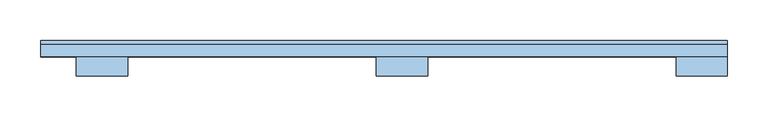
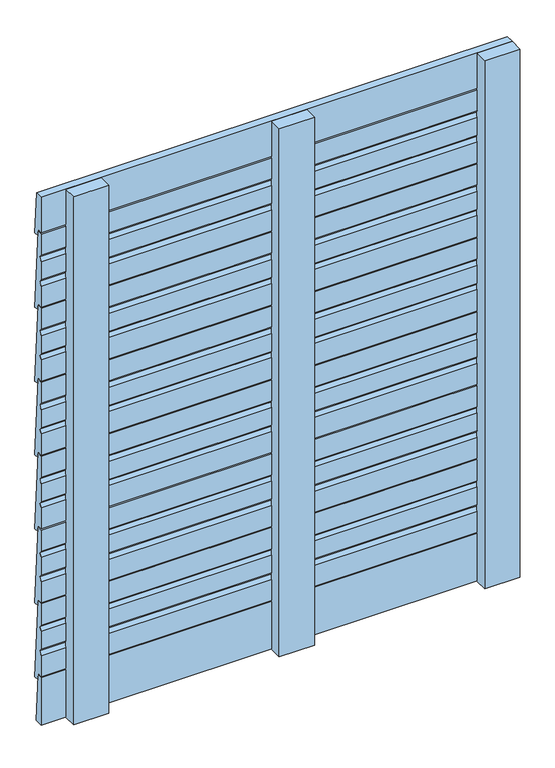
"""IFC4 building model written with IfcOpenShell, lengths in millimetres: window geometry."""

from ifc_helpers import new_model, si_unit, frame, origin, place, context, project, spatial, polyline, outline, extrude, source, transform, mapped, element, save


def window_3d28c99c(model_context):
    return source(origin(), model_context, "Body", "SweptSolid", [
        extrude(outline(polyline([(80.0078741, 180.0031481), (71.0853004, 180.9402731), (70.3857007, 192.0), (60.0078741, 192.0), (60.0078741, 232.0), (65.2056664, 238.0), (60.0078741, 244.0), (60.0078741, 278.0), (65.2056664, 284.0), (60.0078741, 290.0), (60.0078741, 330.0), (70.0171434, 330.0), (80.0078741, 180.0031481)])), frame((-444.0, 0.0, 0.0), z_axis=(1.0, 0.0, 0.0), x_axis=(0.0, 1.0, 0.0)), (0.0, 0.0, 1.0), 844.0),
        extrude(outline(polyline([(80.0078741, 320.0031481), (71.0853004, 320.9402731), (70.3857007, 332.0), (60.0078741, 332.0), (60.0078741, 372.0), (65.2056664, 378.0), (60.0078741, 384.0), (60.0078741, 418.0), (65.2056664, 424.0), (60.0078741, 430.0), (60.0078741, 470.0), (70.0171434, 470.0), (80.0078741, 320.0031481)])), frame((-444.0, 0.0, 0.0), z_axis=(1.0, 0.0, 0.0), x_axis=(0.0, 1.0, 0.0)), (0.0, 0.0, 1.0), 844.0),
        extrude(outline(polyline([(80.0078741, 460.0031481), (71.0853004, 460.9402731), (70.3857007, 472.0), (60.0078741, 472.0), (60.0078741, 512.0), (65.2056664, 518.0), (60.0078741, 524.0), (60.0078741, 558.0), (65.2056664, 564.0), (60.0078741, 570.0), (60.0078741, 610.0), (70.0171434, 610.0), (80.0078741, 460.0031481)])), frame((-444.0, 0.0, 0.0), z_axis=(1.0, 0.0, 0.0), x_axis=(0.0, 1.0, 0.0)), (0.0, 0.0, 1.0), 844.0),
        extrude(outline(polyline([(80.0078741, 600.0031481), (71.0853004, 600.9402731), (70.3857007, 612.0), (60.0078741, 612.0), (60.0078741, 652.0), (65.2056664, 658.0), (60.0078741, 664.0), (60.0078741, 698.0), (65.2056664, 704.0), (60.0078741, 710.0), (60.0078741, 750.0), (70.0171434, 750.0), (80.0078741, 600.0031481)])), frame((-444.0, 0.0, 0.0), z_axis=(1.0, 0.0, 0.0), x_axis=(0.0, 1.0, 0.0)), (0.0, 0.0, 1.0), 844.0),
        extrude(outline(polyline([(80.0078741, 740.0031481), (71.0853004, 740.9402731), (70.3857007, 752.0), (60.0078741, 752.0), (60.0078741, 792.0), (65.2056664, 798.0), (60.0078741, 804.0), (60.0078741, 838.0), (65.2056664, 844.0), (60.0078741, 850.0), (60.0078741, 890.0), (70.0171434, 890.0), (80.0078741, 740.0031481)])), frame((-444.0, 0.0, 0.0), z_axis=(1.0, 0.0, 0.0), x_axis=(0.0, 1.0, 0.0)), (0.0, 0.0, 1.0), 844.0),
        extrude(outline(polyline([(80.0078741, 880.0031481), (71.0853004, 880.9402731), (70.3857007, 892.0), (60.0078741, 892.0), (60.0078741, 932.0), (65.2056664, 938.0), (60.0078741, 944.0), (60.0078741, 978.0), (65.2056664, 984.0), (60.0078741, 990.0), (60.0078741, 1030.0), (70.0171434, 1030.0), (80.0078741, 880.0031481)])), frame((-444.0, 0.0, 0.0), z_axis=(1.0, 0.0, 0.0), x_axis=(0.0, 1.0, 0.0)), (0.0, 0.0, 1.0), 844.0),
        extrude(outline(polyline([(70.0171434, 190.0), (76.0117076, 100.0), (60.0078741, 100.0), (60.0078741, 190.0), (70.0171434, 190.0)])), frame((-444.0, 0.0, 0.0), z_axis=(1.0, 0.0, 0.0), x_axis=(0.0, 1.0, 0.0)), (0.0, 0.0, 1.0), 844.0),
        extrude(outline(polyline([(80.0039038, 1021.0031481), (71.0813302, 1021.9402731), (70.3817304, 1033.0), (60.0039038, 1033.0), (60.0039038, 1100.0), (74.7373365, 1100.0), (80.0039038, 1021.0031481)])), frame((-444.0, 0.0, 0.0), z_axis=(1.0, 0.0, 0.0), x_axis=(0.0, 1.0, 0.0)), (0.0, 0.0, 1.0), 844.0),
        extrude(outline(polyline([(-31.5, 60.1), (31.5, 60.1), (31.5, 36.1), (-31.5, 36.1), (-31.5, 60.1)])), frame((0.0, 0.0, 100.0), z_axis=(0.0, 0.0, 1.0), x_axis=(1.0, 0.0, 0.0)), (0.0, 0.0, 1.0), 1000.0),
        extrude(outline(polyline([(-400.0, 60.0), (-337.0, 60.0), (-337.0, 36.0), (-400.0, 36.0), (-400.0, 60.0)])), frame((0.0, 0.0, 100.0), z_axis=(0.0, 0.0, 1.0), x_axis=(1.0, 0.0, 0.0)), (0.0, 0.0, 1.0), 1000.0),
        extrude(outline(polyline([(337.0, 60.0), (400.0, 60.0), (400.0, 36.0), (337.0, 36.0), (337.0, 60.0)])), frame((0.0, 0.0, 100.0), z_axis=(0.0, 0.0, 1.0), x_axis=(1.0, 0.0, 0.0)), (0.0, 0.0, 1.0), 1000.0),
    ])


if __name__ == "__main__":
    model = new_model("IFC4")
    model_context = context("Model", 3, world=origin())
    ifc_project = project(units=[si_unit("LENGTHUNIT", "METRE", prefix="MILLI")], contexts=[model_context])
    site = spatial("IfcSite", under=ifc_project)
    building = spatial("IfcBuilding", under=site)
    placement = place(None, origin())
    window_shape = window_3d28c99c(model_context)
    element("IfcWindow", 1, at=placement, inside=building, context=model_context, shape_type="MappedRepresentation", body=[
        mapped(window_shape, transform((0.0, 0.0, 0.0), x_axis=(1.0, 0.0, 0.0), y_axis=(0.0, 1.0, 0.0), z_axis=(0.0, 0.0, 1.0))),
    ])
    save(model, "model.ifc")
